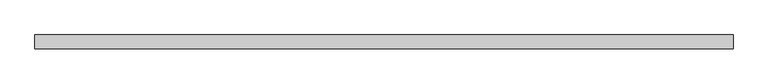
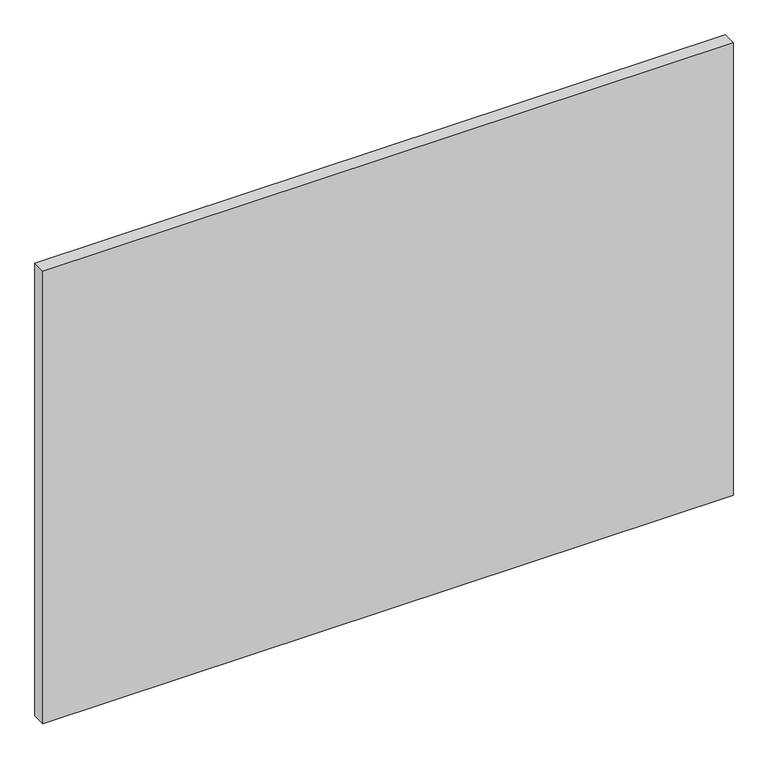
"""IFC4 building model written with IfcOpenShell, lengths in millimetres: plate geometry."""

from ifc_helpers import new_model, si_unit, origin, origin_with_axes, place, context, project, spatial, polyline, outline, extrude, source, transform, mapped, element, save


def plate_311dca39(model_context):
    return source(origin(), model_context, "Body", "SweptSolid", [
        extrude(outline(polyline([(877.8125, -17.5), (-877.8125, -17.5), (-877.8125, 17.5), (877.8125, 17.5), (877.8125, -17.5)])), origin_with_axes(), (0.0, 0.0, 1.0), 1216.6666667),
    ])


if __name__ == "__main__":
    model = new_model("IFC4")
    model_context = context("Model", 3, world=origin())
    ifc_project = project(units=[si_unit("LENGTHUNIT", "METRE", prefix="MILLI")], contexts=[model_context])
    site = spatial("IfcSite", under=ifc_project)
    building = spatial("IfcBuilding", under=site)
    placement = place(None, origin())
    plate_shape = plate_311dca39(model_context)
    element("IfcPlate", 1, at=placement, inside=building, context=model_context, shape_type="MappedRepresentation", body=[
        mapped(plate_shape, transform((0.0, 0.0, 0.0), x_axis=(1.0, 0.0, 0.0), y_axis=(0.0, 1.0, 0.0), z_axis=(0.0, 0.0, 1.0))),
    ])
    save(model, "model.ifc")
